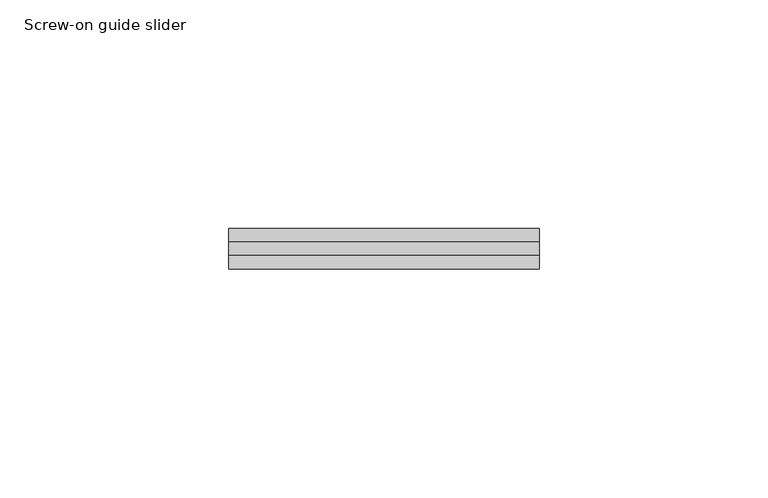
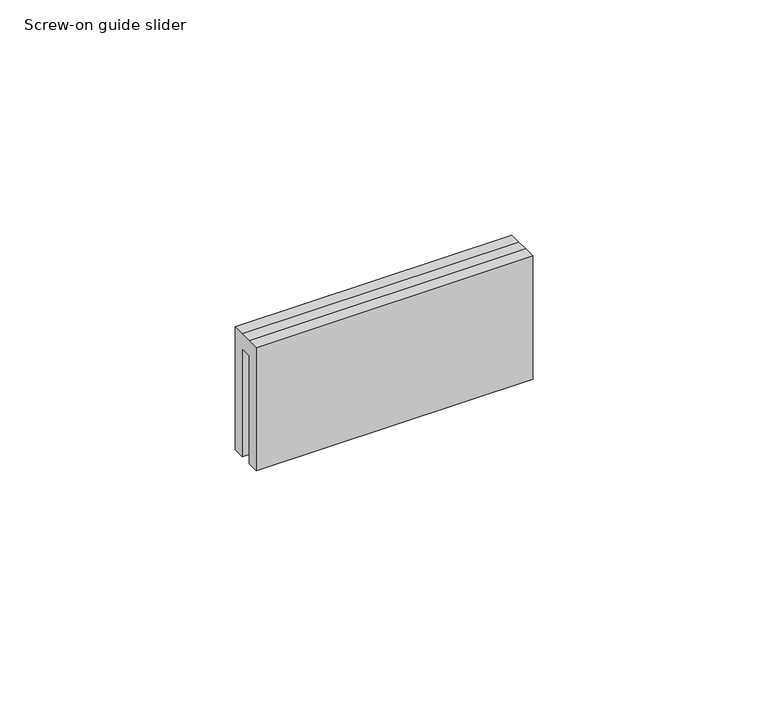
"""IFC4 building model written with IfcOpenShell, lengths in millimetres: proxy geometry, Screw-on guide slider."""

from ifc_helpers import new_model, si_unit, frame, origin, place, context, project, spatial, polyline, outline, extrude, source, transform, mapped, element, save


def screw_on_guide_slider_bde20c2e(model_context):
    return source(origin(), model_context, "Body", "SweptSolid", [
        extrude(outline(polyline([(0.0, 31.9552598), (2.9830871, 31.9552598), (5.9661742, 31.9552598), (8.9492613, 31.9552598), (8.9492613, 0.0), (5.961982, 0.0), (5.961982, 28.1143407), (2.921488, 28.1143407), (2.921488, 0.0), (0.0, 0.0), (0.0, 31.9552598)])), frame((-17.25, 0.0, 0.0), z_axis=(1.0, 0.0, 0.0), x_axis=(0.0, 1.0, 0.0)), (0.0, 0.0, 1.0), 68.0),
    ])


if __name__ == "__main__":
    model = new_model("IFC4")
    model_context = context("Model", 3, world=origin())
    ifc_project = project(units=[si_unit("LENGTHUNIT", "METRE", prefix="MILLI")], contexts=[model_context])
    site = spatial("IfcSite", under=ifc_project)
    building = spatial("IfcBuilding", under=site)
    placement = place(None, origin())
    screw_on_guide_slider_shape = screw_on_guide_slider_bde20c2e(model_context)
    element("IfcBuildingElementProxy", 1, Name="Screw-on guide slider", ObjectType="Screw-on guide slider", at=placement, inside=building, context=model_context, shape_type="MappedRepresentation", body=[
        mapped(screw_on_guide_slider_shape, transform((0.0, 0.0, 0.0), x_axis=(1.0, 0.0, 0.0), y_axis=(0.0, 1.0, 0.0), z_axis=(0.0, 0.0, 1.0))),
    ])
    save(model, "model.ifc")
